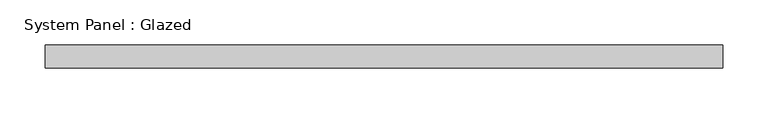
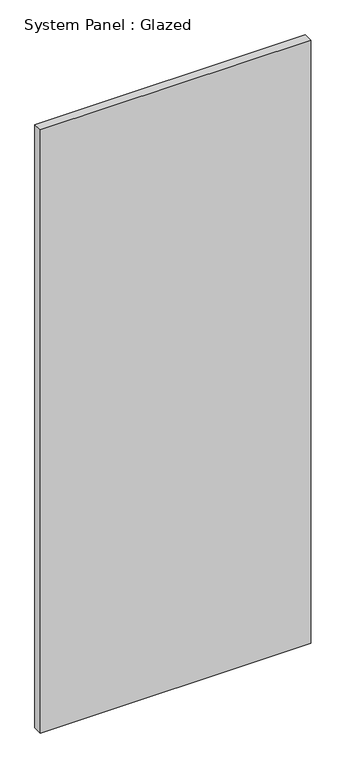
"""IFC4 building model written with IfcOpenShell, lengths in millimetres: plate geometry, System Panel : Glazed."""

import ifcopenshell
import ifcopenshell.guid

model = None  # the IFC model being written
_history = None  # IfcOwnerHistory: only IFC2X3 demands one
_inside = {}  # id of a spatial element -> (the spatial element, [elements in it])
_under = {}  # id of a project, library or spatial element -> (it, [spatial elements below it])
_declared = {}  # id of a project -> (the project, [libraries it declares])
_typed = {}  # id of a type object -> (the type object, [elements of that type])
_made_of = {}  # id of a material, layer set ... -> (it, [elements and type objects made of it])


def new_model(schema):
    """Start an empty IFC model of exactly this schema.

    Asked for "IFC4X3", IfcOpenShell would pick the latest addendum, in which some entities
    have other attributes; the version numbers below select the first issue.
    IFC2X3 requires an IfcOwnerHistory on every rooted entity: one is made here for all.
    """
    global model, _history
    if schema == "IFC4X3":
        model = ifcopenshell.file(schema_version=(4, 3, 0, 0))
    else:
        model = ifcopenshell.file(schema=schema)
    _inside.clear()
    _under.clear()
    _declared.clear()
    _typed.clear()
    _made_of.clear()
    _history = None
    if model.schema == "IFC2X3":
        org = make("IfcOrganization", Name="unknown")
        user = make(
            "IfcPersonAndOrganization",
            ThePerson=make("IfcPerson", FamilyName="unknown"),
            TheOrganization=org,
        )
        app = make(
            "IfcApplication",
            ApplicationDeveloper=org,
            Version="unknown",
            ApplicationFullName="unknown",
            ApplicationIdentifier="unknown",
        )
        _history = make(
            "IfcOwnerHistory",
            OwningUser=user,
            OwningApplication=app,
            ChangeAction="ADDED",
            CreationDate=0,
        )
    return model


def make(cls, **values):
    """One entity of the class cls with the attributes given. An attribute that is None is left unset."""
    return model.create_entity(
        cls, **{name: value for name, value in values.items() if value is not None}
    )


def rooted(cls, **values):
    """An entity with a GlobalId (a new one), such as an element, a storey or a relation."""
    return make(cls, GlobalId=ifcopenshell.guid.new(), OwnerHistory=_history, **values)


def si_unit(unit_type, name, prefix=None):
    """IfcSIUnit, for example si_unit("LENGTHUNIT", "METRE", prefix="MILLI")."""
    return make("IfcSIUnit", UnitType=unit_type, Prefix=prefix, Name=name)


def assignment(units):
    """IfcUnitAssignment: the units of a project."""
    return None if units is None else make("IfcUnitAssignment", Units=units)


def point(xyz):
    """IfcCartesianPoint."""
    return None if xyz is None else make("IfcCartesianPoint", Coordinates=xyz)


def direction(xyz):
    """IfcDirection."""
    return None if xyz is None else make("IfcDirection", DirectionRatios=xyz)


def frame(location, z_axis=None, x_axis=None):
    """IfcAxis2Placement3D, a coordinate frame: its origin and axes. An axis left out is left unset."""
    return make(
        "IfcAxis2Placement3D",
        Location=point(location),
        Axis=direction(z_axis),
        RefDirection=direction(x_axis),
    )


def origin():
    """The frame at (0, 0, 0) with its axes left unset."""
    return frame((0.0, 0.0, 0.0))


def origin_with_axes():
    """The frame at (0, 0, 0) with the z axis (0, 0, 1) and the x axis (1, 0, 0) written out."""
    return frame((0.0, 0.0, 0.0), z_axis=(0.0, 0.0, 1.0), x_axis=(1.0, 0.0, 0.0))


def place(relative_to, where):
    """IfcLocalPlacement: puts the frame where relative to a parent placement (None: the world)."""
    return make(
        "IfcLocalPlacement", PlacementRelTo=relative_to, RelativePlacement=where
    )


def context(
    kind, dimensions, precision=None, world=None, true_north=None, identifier=None
):
    """IfcGeometricRepresentationContext, for example the 3D "Model" context."""
    return make(
        "IfcGeometricRepresentationContext",
        ContextIdentifier=identifier,
        ContextType=kind,
        CoordinateSpaceDimension=dimensions,
        Precision=precision,
        WorldCoordinateSystem=world,
        TrueNorth=true_north,
    )


def project(units=None, contexts=None):
    """IfcProject with its units and contexts."""
    return rooted(
        "IfcProject",
        Name="project",
        RepresentationContexts=contexts,
        UnitsInContext=assignment(units),
    )


def spatial(cls, under=None, at=None, **own):
    """A site, building, storey or space (cls), placed at a placement, below another one or the project."""
    s = rooted(cls, ObjectPlacement=at, **own)
    if under is not None:
        _under.setdefault(under.id(), (under, []))[1].append(s)
    return s


def polyline(points):
    """IfcPolyline through the points."""
    return make("IfcPolyline", Points=[point(p) for p in points])


def outline(outer, holes=None, kind="AREA"):
    """IfcArbitraryClosedProfileDef: a profile drawn as a closed curve; with holes, ...WithVoids."""
    if holes is None:
        return make("IfcArbitraryClosedProfileDef", ProfileType=kind, OuterCurve=outer)
    return make(
        "IfcArbitraryProfileDefWithVoids",
        ProfileType=kind,
        OuterCurve=outer,
        InnerCurves=holes,
    )


def extrude(swept, where, along, depth):
    """IfcExtrudedAreaSolid: the profile swept, set in the frame where, extruded along a direction by depth."""
    return make(
        "IfcExtrudedAreaSolid",
        SweptArea=swept,
        Position=where,
        ExtrudedDirection=direction(along),
        Depth=depth,
    )


def shape(context_of_items, identifier, shape_type, items):
    """IfcShapeRepresentation: the items that make up one representation, for example the "Body"."""
    return make(
        "IfcShapeRepresentation",
        ContextOfItems=context_of_items,
        RepresentationIdentifier=identifier,
        RepresentationType=shape_type,
        Items=items,
    )


def source(mapping_origin, context_of_items, identifier, shape_type, items):
    """IfcRepresentationMap: a shape defined once, which mapped items show again and again."""
    return make(
        "IfcRepresentationMap",
        MappingOrigin=mapping_origin,
        MappedRepresentation=shape(context_of_items, identifier, shape_type, items),
    )


def transform(
    local_origin,
    x_axis=None,
    y_axis=None,
    z_axis=None,
    scale=None,
    scale2=None,
    scale3=None,
    uniform=True,
):
    """IfcCartesianTransformationOperator3D, or its non-uniform kind. x_axis, y_axis, z_axis: its Axis1, 2, 3."""
    if uniform:
        return make(
            "IfcCartesianTransformationOperator3D",
            Axis1=direction(x_axis),
            Axis2=direction(y_axis),
            LocalOrigin=point(local_origin),
            Scale=scale,
            Axis3=direction(z_axis),
        )
    return make(
        "IfcCartesianTransformationOperator3DnonUniform",
        Axis1=direction(x_axis),
        Axis2=direction(y_axis),
        LocalOrigin=point(local_origin),
        Scale=scale,
        Axis3=direction(z_axis),
        Scale2=scale2,
        Scale3=scale3,
    )


def mapped(mapping_source, mapping_target):
    """IfcMappedItem: shows the shape of a source again, moved by a transform."""
    return make(
        "IfcMappedItem", MappingSource=mapping_source, MappingTarget=mapping_target
    )


def made_of(thing, what):
    """Note that an element or type object is made of a material, layer set ...; save() writes the relation."""
    if what is not None:
        _made_of.setdefault(what.id(), (what, []))[1].append(thing)
    return thing


def element(
    cls,
    number,
    at=None,
    inside=None,
    cuts=None,
    type_object=None,
    material=None,
    context=None,
    identifier="Body",
    shape_type=None,
    held_by="IfcProductDefinitionShape",
    body=None,
    shapes=None,
    **own,
):
    """One element of the class cls, such as IfcWall. Its Tag is "e" and its number.

    at: its placement. inside: the storey or other place that contains it. cuts: it is an
    opening in that element (IfcRelVoidsElement). A single representation is given by context,
    identifier, shape_type and body (its items); several are given by shapes. held_by: the class
    of the entity that holds the representations. save() writes the other relations.
    """
    e = rooted(cls, Tag="e%d" % number, ObjectPlacement=at, **own)
    if body is not None:
        shapes = [shape(context, identifier, shape_type, body)]
    if shapes is not None:
        e.Representation = make(held_by, Representations=shapes)
    if inside is not None:
        _inside.setdefault(inside.id(), (inside, []))[1].append(e)
    if cuts is not None:
        rooted(
            "IfcRelVoidsElement", RelatingBuildingElement=cuts, RelatedOpeningElement=e
        )
    if type_object is not None:
        _typed.setdefault(type_object.id(), (type_object, []))[1].append(e)
    return made_of(e, material)


def aggregate(whole, parts):
    """IfcRelAggregates: a whole, such as a stair, and the parts it consists of."""
    return rooted("IfcRelAggregates", RelatingObject=whole, RelatedObjects=parts)


def save(model, path):
    """Write the relations noted so far, then the file.

    IfcRelAggregates (storeys below a building ...), IfcRelContainedInSpatialStructure (elements
    in a storey), IfcRelDefinesByType, IfcRelAssociatesMaterial and IfcRelDeclares: one each for
    every whole, place, type object, material and project.
    """
    for whole, parts in _under.values():
        aggregate(whole, parts)
    for where, things in _inside.values():
        rooted(
            "IfcRelContainedInSpatialStructure",
            RelatedElements=things,
            RelatingStructure=where,
        )
    for kind, things in _typed.values():
        rooted("IfcRelDefinesByType", RelatedObjects=things, RelatingType=kind)
    for what, things in _made_of.values():
        rooted("IfcRelAssociatesMaterial", RelatedObjects=things, RelatingMaterial=what)
    for by, libraries in _declared.values():
        rooted("IfcRelDeclares", RelatingContext=by, RelatedDefinitions=libraries)
    model.write(path)


def system_panel_glazed_cf18008a(model_context):
    return source(origin(), model_context, "Body", "SweptSolid", [
        extrude(outline(polyline([(375.7083333, -44.45), (-375.7083333, -44.45), (-375.7083333, -19.05), (375.7083333, -19.05), (375.7083333, -44.45)])), origin_with_axes(), (0.0, 0.0, 1.0), 1771.65),
    ])


if __name__ == "__main__":
    model = new_model("IFC4")
    model_context = context("Model", 3, world=origin())
    ifc_project = project(units=[si_unit("LENGTHUNIT", "METRE", prefix="MILLI")], contexts=[model_context])
    site = spatial("IfcSite", under=ifc_project)
    building = spatial("IfcBuilding", under=site)
    placement = place(None, origin())
    system_panel_glazed_shape = system_panel_glazed_cf18008a(model_context)
    element("IfcPlate", 1, ObjectType="System Panel : Glazed", at=placement, inside=building, context=model_context, shape_type="MappedRepresentation", body=[
        mapped(system_panel_glazed_shape, transform((0.0, 0.0, 0.0), x_axis=(1.0, 0.0, 0.0), y_axis=(0.0, 1.0, 0.0), z_axis=(0.0, 0.0, 1.0))),
    ])
    save(model, "model.ifc")
